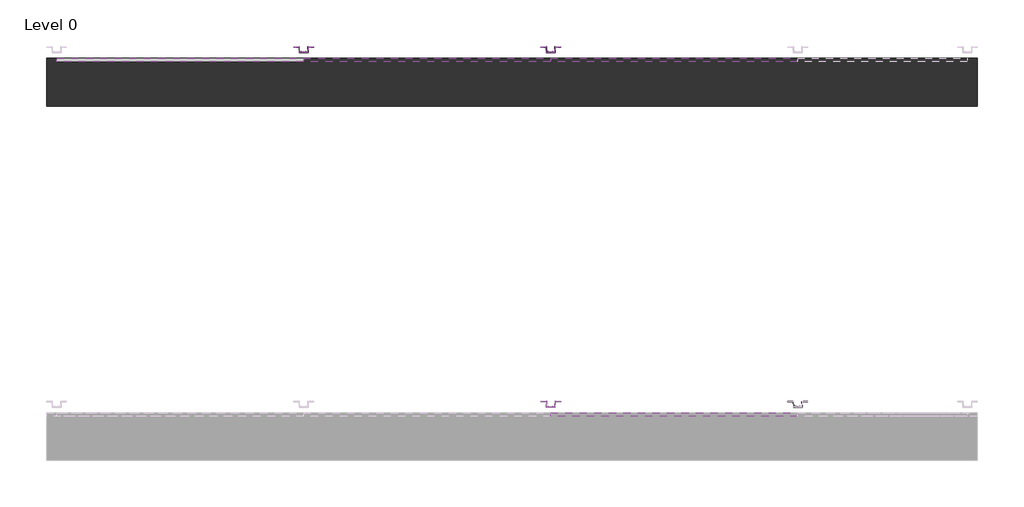
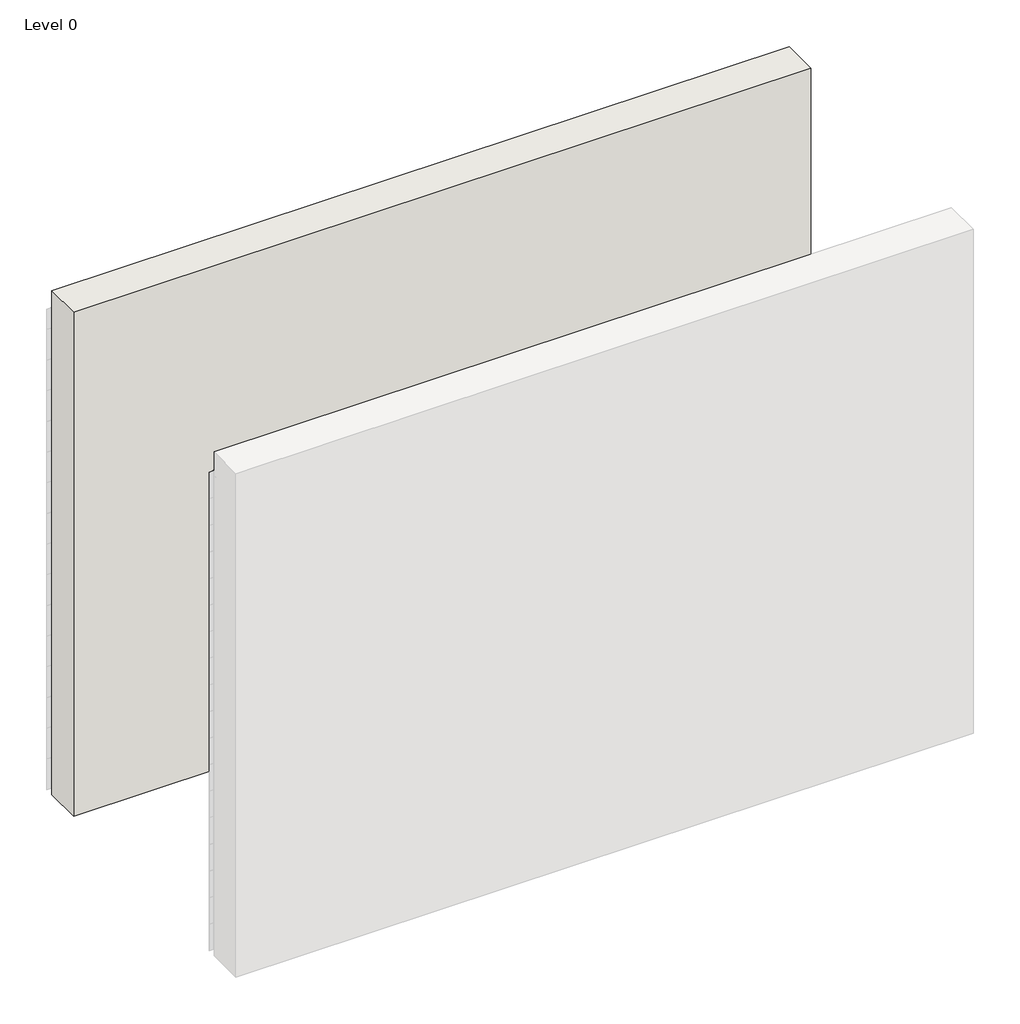
# One storey, part 2 of 8: 67 plates, 40 members, 1 wall.
"""IFC4 building model written with IfcOpenShell, lengths in millimetres."""

import ifcopenshell
import ifcopenshell.guid

model = None  # the IFC model being written
_history = None  # IfcOwnerHistory: only IFC2X3 demands one
_inside = {}  # id of a spatial element -> (the spatial element, [elements in it])
_under = {}  # id of a project, library or spatial element -> (it, [spatial elements below it])
_declared = {}  # id of a project -> (the project, [libraries it declares])
_typed = {}  # id of a type object -> (the type object, [elements of that type])
_made_of = {}  # id of a material, layer set ... -> (it, [elements and type objects made of it])


def new_model(schema):
    """Start an empty IFC model of exactly this schema.

    Asked for "IFC4X3", IfcOpenShell would pick the latest addendum, in which some entities
    have other attributes; the version numbers below select the first issue.
    IFC2X3 requires an IfcOwnerHistory on every rooted entity: one is made here for all.
    """
    global model, _history
    if schema == "IFC4X3":
        model = ifcopenshell.file(schema_version=(4, 3, 0, 0))
    else:
        model = ifcopenshell.file(schema=schema)
    _inside.clear()
    _under.clear()
    _declared.clear()
    _typed.clear()
    _made_of.clear()
    _history = None
    if model.schema == "IFC2X3":
        org = make("IfcOrganization", Name="unknown")
        user = make(
            "IfcPersonAndOrganization",
            ThePerson=make("IfcPerson", FamilyName="unknown"),
            TheOrganization=org,
        )
        app = make(
            "IfcApplication",
            ApplicationDeveloper=org,
            Version="unknown",
            ApplicationFullName="unknown",
            ApplicationIdentifier="unknown",
        )
        _history = make(
            "IfcOwnerHistory",
            OwningUser=user,
            OwningApplication=app,
            ChangeAction="ADDED",
            CreationDate=0,
        )
    return model


def make(cls, **values):
    """One entity of the class cls with the attributes given. An attribute that is None is left unset."""
    return model.create_entity(
        cls, **{name: value for name, value in values.items() if value is not None}
    )


def rooted(cls, **values):
    """An entity with a GlobalId (a new one), such as an element, a storey or a relation."""
    return make(cls, GlobalId=ifcopenshell.guid.new(), OwnerHistory=_history, **values)


def si_unit(unit_type, name, prefix=None):
    """IfcSIUnit, for example si_unit("LENGTHUNIT", "METRE", prefix="MILLI")."""
    return make("IfcSIUnit", UnitType=unit_type, Prefix=prefix, Name=name)


def assignment(units):
    """IfcUnitAssignment: the units of a project."""
    return None if units is None else make("IfcUnitAssignment", Units=units)


def point(xyz):
    """IfcCartesianPoint."""
    return None if xyz is None else make("IfcCartesianPoint", Coordinates=xyz)


def direction(xyz):
    """IfcDirection."""
    return None if xyz is None else make("IfcDirection", DirectionRatios=xyz)


def frame(location, z_axis=None, x_axis=None):
    """IfcAxis2Placement3D, a coordinate frame: its origin and axes. An axis left out is left unset."""
    return make(
        "IfcAxis2Placement3D",
        Location=point(location),
        Axis=direction(z_axis),
        RefDirection=direction(x_axis),
    )


def origin():
    """The frame at (0, 0, 0) with its axes left unset."""
    return frame((0.0, 0.0, 0.0))


def origin_with_axes():
    """The frame at (0, 0, 0) with the z axis (0, 0, 1) and the x axis (1, 0, 0) written out."""
    return frame((0.0, 0.0, 0.0), z_axis=(0.0, 0.0, 1.0), x_axis=(1.0, 0.0, 0.0))


def place(relative_to, where):
    """IfcLocalPlacement: puts the frame where relative to a parent placement (None: the world)."""
    return make(
        "IfcLocalPlacement", PlacementRelTo=relative_to, RelativePlacement=where
    )


def context(
    kind, dimensions, precision=None, world=None, true_north=None, identifier=None
):
    """IfcGeometricRepresentationContext, for example the 3D "Model" context."""
    return make(
        "IfcGeometricRepresentationContext",
        ContextIdentifier=identifier,
        ContextType=kind,
        CoordinateSpaceDimension=dimensions,
        Precision=precision,
        WorldCoordinateSystem=world,
        TrueNorth=true_north,
    )


def project(units=None, contexts=None):
    """IfcProject with its units and contexts."""
    return rooted(
        "IfcProject",
        Name="project",
        RepresentationContexts=contexts,
        UnitsInContext=assignment(units),
    )


def spatial(cls, under=None, at=None, **own):
    """A site, building, storey or space (cls), placed at a placement, below another one or the project."""
    s = rooted(cls, ObjectPlacement=at, **own)
    if under is not None:
        _under.setdefault(under.id(), (under, []))[1].append(s)
    return s


def polyline(points):
    """IfcPolyline through the points."""
    return make("IfcPolyline", Points=[point(p) for p in points])


def outline(outer, holes=None, kind="AREA"):
    """IfcArbitraryClosedProfileDef: a profile drawn as a closed curve; with holes, ...WithVoids."""
    if holes is None:
        return make("IfcArbitraryClosedProfileDef", ProfileType=kind, OuterCurve=outer)
    return make(
        "IfcArbitraryProfileDefWithVoids",
        ProfileType=kind,
        OuterCurve=outer,
        InnerCurves=holes,
    )


def extrude(swept, where, along, depth):
    """IfcExtrudedAreaSolid: the profile swept, set in the frame where, extruded along a direction by depth."""
    return make(
        "IfcExtrudedAreaSolid",
        SweptArea=swept,
        Position=where,
        ExtrudedDirection=direction(along),
        Depth=depth,
    )


def shape(context_of_items, identifier, shape_type, items):
    """IfcShapeRepresentation: the items that make up one representation, for example the "Body"."""
    return make(
        "IfcShapeRepresentation",
        ContextOfItems=context_of_items,
        RepresentationIdentifier=identifier,
        RepresentationType=shape_type,
        Items=items,
    )


def source(mapping_origin, context_of_items, identifier, shape_type, items):
    """IfcRepresentationMap: a shape defined once, which mapped items show again and again."""
    return make(
        "IfcRepresentationMap",
        MappingOrigin=mapping_origin,
        MappedRepresentation=shape(context_of_items, identifier, shape_type, items),
    )


def transform(
    local_origin,
    x_axis=None,
    y_axis=None,
    z_axis=None,
    scale=None,
    scale2=None,
    scale3=None,
    uniform=True,
):
    """IfcCartesianTransformationOperator3D, or its non-uniform kind. x_axis, y_axis, z_axis: its Axis1, 2, 3."""
    if uniform:
        return make(
            "IfcCartesianTransformationOperator3D",
            Axis1=direction(x_axis),
            Axis2=direction(y_axis),
            LocalOrigin=point(local_origin),
            Scale=scale,
            Axis3=direction(z_axis),
        )
    return make(
        "IfcCartesianTransformationOperator3DnonUniform",
        Axis1=direction(x_axis),
        Axis2=direction(y_axis),
        LocalOrigin=point(local_origin),
        Scale=scale,
        Axis3=direction(z_axis),
        Scale2=scale2,
        Scale3=scale3,
    )


def mapped(mapping_source, mapping_target):
    """IfcMappedItem: shows the shape of a source again, moved by a transform."""
    return make(
        "IfcMappedItem", MappingSource=mapping_source, MappingTarget=mapping_target
    )


def made_of(thing, what):
    """Note that an element or type object is made of a material, layer set ...; save() writes the relation."""
    if what is not None:
        _made_of.setdefault(what.id(), (what, []))[1].append(thing)
    return thing


def element(
    cls,
    number,
    at=None,
    inside=None,
    cuts=None,
    type_object=None,
    material=None,
    context=None,
    identifier="Body",
    shape_type=None,
    held_by="IfcProductDefinitionShape",
    body=None,
    shapes=None,
    **own,
):
    """One element of the class cls, such as IfcWall. Its Tag is "e" and its number.

    at: its placement. inside: the storey or other place that contains it. cuts: it is an
    opening in that element (IfcRelVoidsElement). A single representation is given by context,
    identifier, shape_type and body (its items); several are given by shapes. held_by: the class
    of the entity that holds the representations. save() writes the other relations.
    """
    e = rooted(cls, Tag="e%d" % number, ObjectPlacement=at, **own)
    if body is not None:
        shapes = [shape(context, identifier, shape_type, body)]
    if shapes is not None:
        e.Representation = make(held_by, Representations=shapes)
    if inside is not None:
        _inside.setdefault(inside.id(), (inside, []))[1].append(e)
    if cuts is not None:
        rooted(
            "IfcRelVoidsElement", RelatingBuildingElement=cuts, RelatedOpeningElement=e
        )
    if type_object is not None:
        _typed.setdefault(type_object.id(), (type_object, []))[1].append(e)
    return made_of(e, material)


def aggregate(whole, parts):
    """IfcRelAggregates: a whole, such as a stair, and the parts it consists of."""
    return rooted("IfcRelAggregates", RelatingObject=whole, RelatedObjects=parts)


def save(model, path):
    """Write the relations noted so far, then the file.

    IfcRelAggregates (storeys below a building ...), IfcRelContainedInSpatialStructure (elements
    in a storey), IfcRelDefinesByType, IfcRelAssociatesMaterial and IfcRelDeclares: one each for
    every whole, place, type object, material and project.
    """
    for whole, parts in _under.values():
        aggregate(whole, parts)
    for where, things in _inside.values():
        rooted(
            "IfcRelContainedInSpatialStructure",
            RelatedElements=things,
            RelatingStructure=where,
        )
    for kind, things in _typed.values():
        rooted("IfcRelDefinesByType", RelatedObjects=things, RelatingType=kind)
    for what, things in _made_of.values():
        rooted("IfcRelAssociatesMaterial", RelatedObjects=things, RelatingMaterial=what)
    for by, libraries in _declared.values():
        rooted("IfcRelDeclares", RelatingContext=by, RelatedDefinitions=libraries)
    model.write(path)


def rectangular_mullion_ca0a8db8(model_context):
    return source(origin(), model_context, "Body", "SweptSolid", [
        extrude(outline(polyline([(-33.0, -132.0), (-73.0, -132.0), (-73.0, -129.0), (-33.0, -129.0), (-33.0, -89.0), (33.0, -89.0), (33.0, -129.0), (73.0, -129.0), (73.0, -132.0), (33.0, -132.0), (33.0, -135.0), (30.0, -135.0), (30.0, -92.0), (20.0, -92.0), (20.0, -97.0), (12.0, -97.0), (12.0, -94.0), (17.0, -94.0), (17.0, -92.0), (-17.0, -92.0), (-17.0, -94.0), (-12.0, -94.0), (-12.0, -97.0), (-20.0, -97.0), (-20.0, -92.0), (-30.0, -92.0), (-30.0, -135.0), (-33.0, -135.0), (-33.0, -132.0)])), frame((0.0, 0.0, -300.0), z_axis=(0.0, 0.0, 1.0), x_axis=(1.0, 0.0, 0.0)), (0.0, 0.0, 1.0), 300.0),
    ])


def rectangular_mullion_66df148c(model_context):
    return source(origin(), model_context, "Body", "SweptSolid", [
        extrude(outline(polyline([(-33.0, -132.0), (-73.0, -132.0), (-73.0, -129.0), (-33.0, -129.0), (-33.0, -89.0), (33.0, -89.0), (33.0, -129.0), (73.0, -129.0), (73.0, -132.0), (33.0, -132.0), (33.0, -135.0), (30.0, -135.0), (30.0, -92.0), (20.0, -92.0), (20.0, -97.0), (12.0, -97.0), (12.0, -94.0), (17.0, -94.0), (17.0, -92.0), (-17.0, -92.0), (-17.0, -94.0), (-12.0, -94.0), (-12.0, -97.0), (-20.0, -97.0), (-20.0, -92.0), (-30.0, -92.0), (-30.0, -135.0), (-33.0, -135.0), (-33.0, -132.0)])), frame((0.0, 0.0, -197.1692572), z_axis=(0.0, 0.0, 1.0), x_axis=(1.0, 0.0, 0.0)), (0.0, 0.0, 1.0), 197.1692572),
    ])


def rectangular_mullion_63c186be(model_context):
    return source(origin(), model_context, "Body", "SweptSolid", [
        extrude(outline(polyline([(-33.0, -132.0), (-73.0, -132.0), (-73.0, -129.0), (-33.0, -129.0), (-33.0, -89.0), (33.0, -89.0), (33.0, -129.0), (73.0, -129.0), (73.0, -132.0), (33.0, -132.0), (33.0, -135.0), (30.0, -135.0), (30.0, -92.0), (20.0, -92.0), (20.0, -97.0), (12.0, -97.0), (12.0, -94.0), (17.0, -94.0), (17.0, -92.0), (-17.0, -92.0), (-17.0, -94.0), (-12.0, -94.0), (-12.0, -97.0), (-20.0, -97.0), (-20.0, -92.0), (-30.0, -92.0), (-30.0, -135.0), (-33.0, -135.0), (-33.0, -132.0)])), frame((0.0, 0.0, -260.0), z_axis=(0.0, 0.0, 1.0), x_axis=(1.0, 0.0, 0.0)), (0.0, 0.0, 1.0), 260.0),
    ])


def system_panel_glazed_ff49712a(model_context):
    return source(origin(), model_context, "Body", "SweptSolid", [
        extrude(outline(polyline([(905.0, 24.5), (-905.0, 24.5), (-905.0, 49.5), (905.0, 49.5), (905.0, 24.5)])), origin_with_axes(), (0.0, 0.0, 1.0), 300.0),
    ])


def system_panel_glazed_dff0cb57(model_context):
    return source(origin(), model_context, "Body", "SweptSolid", [
        extrude(outline(polyline([(905.0, 24.5), (-905.0, 24.5), (-905.0, 49.5), (905.0, 49.5), (905.0, 24.5)])), origin_with_axes(), (0.0, 0.0, 1.0), 197.1692572),
    ])


def system_panel_glazed_1fbb166e(model_context):
    return source(origin(), model_context, "Body", "SweptSolid", [
        extrude(outline(polyline([(905.0, 24.5), (-905.0, 24.5), (-905.0, 49.5), (905.0, 49.5), (905.0, 24.5)])), origin_with_axes(), (0.0, 0.0, 1.0), 260.0),
    ])


def system_panel_glazed_e570b50b(model_context):
    return source(origin(), model_context, "Body", "SweptSolid", [
        extrude(outline(polyline([(905.0, 24.5), (-905.0, 24.5), (-905.0, 49.5), (905.0, 49.5), (905.0, 24.5)])), origin_with_axes(), (0.0, 0.0, 1.0), 17.1692572),
    ])


model = new_model("IFC4")

# Units and contexts
model_context = context("Model", 3, world=origin())
ifc_project = project(units=[si_unit("LENGTHUNIT", "METRE", prefix="MILLI")], contexts=[model_context])

# Site, building, storey
site = spatial("IfcSite", under=ifc_project)
building = spatial("IfcBuilding", under=site)
storey = spatial("IfcBuildingStorey", under=building, Name="Level 0", Elevation=0.0)

# Members
placement = place(None, origin())
rectangular_mullion_shape = rectangular_mullion_ca0a8db8(model_context)
element("IfcMember", 1, ObjectType="Rectangular Mullion", at=placement, inside=storey, context=model_context, shape_type="MappedRepresentation", body=[
    mapped(rectangular_mullion_shape, transform((-34802.9772357, 2657.550875, 0.0), x_axis=(1.0, 0.0, 0.0), y_axis=(0.0, -1.0, 0.0), z_axis=(0.0, 0.0, -1.0))),
])
element("IfcMember", 2, ObjectType="Rectangular Mullion", at=placement, inside=storey, context=model_context, shape_type="MappedRepresentation", body=[
    mapped(rectangular_mullion_shape, transform((-32992.9772357, 2657.550875, 0.0), x_axis=(1.0, 0.0, 0.0), y_axis=(0.0, -1.0, 0.0), z_axis=(0.0, 0.0, -1.0))),
])
element("IfcMember", 3, ObjectType="Rectangular Mullion", at=placement, inside=storey, context=model_context, shape_type="MappedRepresentation", body=[
    mapped(rectangular_mullion_shape, transform((-34802.9772357, 2657.550875, 300.0), x_axis=(1.0, 0.0, 0.0), y_axis=(0.0, -1.0, 0.0), z_axis=(0.0, 0.0, -1.0))),
])
element("IfcMember", 4, ObjectType="Rectangular Mullion", at=placement, inside=storey, context=model_context, shape_type="MappedRepresentation", body=[
    mapped(rectangular_mullion_shape, transform((-32992.9772357, 2657.550875, 300.0), x_axis=(1.0, 0.0, 0.0), y_axis=(0.0, -1.0, 0.0), z_axis=(0.0, 0.0, -1.0))),
])
element("IfcMember", 5, ObjectType="Rectangular Mullion", at=placement, inside=storey, context=model_context, shape_type="MappedRepresentation", body=[
    mapped(rectangular_mullion_shape, transform((-34802.9772357, 2657.550875, 600.0), x_axis=(1.0, 0.0, 0.0), y_axis=(0.0, -1.0, 0.0), z_axis=(0.0, 0.0, -1.0))),
])
element("IfcMember", 6, ObjectType="Rectangular Mullion", at=placement, inside=storey, context=model_context, shape_type="MappedRepresentation", body=[
    mapped(rectangular_mullion_shape, transform((-32992.9772357, 2657.550875, 600.0), x_axis=(1.0, 0.0, 0.0), y_axis=(0.0, -1.0, 0.0), z_axis=(0.0, 0.0, -1.0))),
])
element("IfcMember", 7, ObjectType="Rectangular Mullion", at=placement, inside=storey, context=model_context, shape_type="MappedRepresentation", body=[
    mapped(rectangular_mullion_shape, transform((-34802.9772357, 2657.550875, 900.0), x_axis=(1.0, 0.0, 0.0), y_axis=(0.0, -1.0, 0.0), z_axis=(0.0, 0.0, -1.0))),
])
element("IfcMember", 8, ObjectType="Rectangular Mullion", at=placement, inside=storey, context=model_context, shape_type="MappedRepresentation", body=[
    mapped(rectangular_mullion_shape, transform((-32992.9772357, 2657.550875, 900.0), x_axis=(1.0, 0.0, 0.0), y_axis=(0.0, -1.0, 0.0), z_axis=(0.0, 0.0, -1.0))),
])
element("IfcMember", 9, ObjectType="Rectangular Mullion", at=placement, inside=storey, context=model_context, shape_type="MappedRepresentation", body=[
    mapped(rectangular_mullion_shape, transform((-34802.9772357, 2657.550875, 1200.0), x_axis=(1.0, 0.0, 0.0), y_axis=(0.0, -1.0, 0.0), z_axis=(0.0, 0.0, -1.0))),
])
element("IfcMember", 10, ObjectType="Rectangular Mullion", at=placement, inside=storey, context=model_context, shape_type="MappedRepresentation", body=[
    mapped(rectangular_mullion_shape, transform((-32992.9772357, 2657.550875, 1200.0), x_axis=(1.0, 0.0, 0.0), y_axis=(0.0, -1.0, 0.0), z_axis=(0.0, 0.0, -1.0))),
])
element("IfcMember", 11, ObjectType="Rectangular Mullion", at=placement, inside=storey, context=model_context, shape_type="MappedRepresentation", body=[
    mapped(rectangular_mullion_shape, transform((-34802.9772357, 2657.550875, 1500.0), x_axis=(1.0, 0.0, 0.0), y_axis=(0.0, -1.0, 0.0), z_axis=(0.0, 0.0, -1.0))),
])
element("IfcMember", 12, ObjectType="Rectangular Mullion", at=placement, inside=storey, context=model_context, shape_type="MappedRepresentation", body=[
    mapped(rectangular_mullion_shape, transform((-32992.9772357, 2657.550875, 1500.0), x_axis=(1.0, 0.0, 0.0), y_axis=(0.0, -1.0, 0.0), z_axis=(0.0, 0.0, -1.0))),
])
element("IfcMember", 13, ObjectType="Rectangular Mullion", at=placement, inside=storey, context=model_context, shape_type="MappedRepresentation", body=[
    mapped(rectangular_mullion_shape, transform((-34802.9772357, 2657.550875, 1800.0), x_axis=(1.0, 0.0, 0.0), y_axis=(0.0, -1.0, 0.0), z_axis=(0.0, 0.0, -1.0))),
])
element("IfcMember", 14, ObjectType="Rectangular Mullion", at=placement, inside=storey, context=model_context, shape_type="MappedRepresentation", body=[
    mapped(rectangular_mullion_shape, transform((-32992.9772357, 2657.550875, 1800.0), x_axis=(1.0, 0.0, 0.0), y_axis=(0.0, -1.0, 0.0), z_axis=(0.0, 0.0, -1.0))),
])
element("IfcMember", 15, ObjectType="Rectangular Mullion", at=placement, inside=storey, context=model_context, shape_type="MappedRepresentation", body=[
    mapped(rectangular_mullion_shape, transform((-34802.9772357, 2657.550875, 2100.0), x_axis=(1.0, 0.0, 0.0), y_axis=(0.0, -1.0, 0.0), z_axis=(0.0, 0.0, -1.0))),
])
element("IfcMember", 16, ObjectType="Rectangular Mullion", at=placement, inside=storey, context=model_context, shape_type="MappedRepresentation", body=[
    mapped(rectangular_mullion_shape, transform((-32992.9772357, 2657.550875, 2100.0), x_axis=(1.0, 0.0, 0.0), y_axis=(0.0, -1.0, 0.0), z_axis=(0.0, 0.0, -1.0))),
])
element("IfcMember", 17, ObjectType="Rectangular Mullion", at=placement, inside=storey, context=model_context, shape_type="MappedRepresentation", body=[
    mapped(rectangular_mullion_shape, transform((-34802.9772357, 2657.550875, 2400.0), x_axis=(1.0, 0.0, 0.0), y_axis=(0.0, -1.0, 0.0), z_axis=(0.0, 0.0, -1.0))),
])
element("IfcMember", 18, ObjectType="Rectangular Mullion", at=placement, inside=storey, context=model_context, shape_type="MappedRepresentation", body=[
    mapped(rectangular_mullion_shape, transform((-32992.9772357, 2657.550875, 2400.0), x_axis=(1.0, 0.0, 0.0), y_axis=(0.0, -1.0, 0.0), z_axis=(0.0, 0.0, -1.0))),
])
element("IfcMember", 19, ObjectType="Rectangular Mullion", at=placement, inside=storey, context=model_context, shape_type="MappedRepresentation", body=[
    mapped(rectangular_mullion_shape, transform((-34802.9772357, 2657.550875, 2700.0), x_axis=(1.0, 0.0, 0.0), y_axis=(0.0, -1.0, 0.0), z_axis=(0.0, 0.0, -1.0))),
])
element("IfcMember", 20, ObjectType="Rectangular Mullion", at=placement, inside=storey, context=model_context, shape_type="MappedRepresentation", body=[
    mapped(rectangular_mullion_shape, transform((-32992.9772357, 2657.550875, 2700.0), x_axis=(1.0, 0.0, 0.0), y_axis=(0.0, -1.0, 0.0), z_axis=(0.0, 0.0, -1.0))),
])
element("IfcMember", 21, ObjectType="Rectangular Mullion", at=placement, inside=storey, context=model_context, shape_type="MappedRepresentation", body=[
    mapped(rectangular_mullion_shape, transform((-34802.9772357, 2657.550875, 3000.0), x_axis=(1.0, 0.0, 0.0), y_axis=(0.0, -1.0, 0.0), z_axis=(0.0, 0.0, -1.0))),
])
element("IfcMember", 22, ObjectType="Rectangular Mullion", at=placement, inside=storey, context=model_context, shape_type="MappedRepresentation", body=[
    mapped(rectangular_mullion_shape, transform((-32992.9772357, 2657.550875, 3000.0), x_axis=(1.0, 0.0, 0.0), y_axis=(0.0, -1.0, 0.0), z_axis=(0.0, 0.0, -1.0))),
])
element("IfcMember", 23, ObjectType="Rectangular Mullion", at=placement, inside=storey, context=model_context, shape_type="MappedRepresentation", body=[
    mapped(rectangular_mullion_shape, transform((-34802.9772357, 2657.550875, 3300.0), x_axis=(1.0, 0.0, 0.0), y_axis=(0.0, -1.0, 0.0), z_axis=(0.0, 0.0, -1.0))),
])
element("IfcMember", 24, ObjectType="Rectangular Mullion", at=placement, inside=storey, context=model_context, shape_type="MappedRepresentation", body=[
    mapped(rectangular_mullion_shape, transform((-32992.9772357, 2657.550875, 3300.0), x_axis=(1.0, 0.0, 0.0), y_axis=(0.0, -1.0, 0.0), z_axis=(0.0, 0.0, -1.0))),
])
element("IfcMember", 25, ObjectType="Rectangular Mullion", at=placement, inside=storey, context=model_context, shape_type="MappedRepresentation", body=[
    mapped(rectangular_mullion_shape, transform((-34802.9772357, 2657.550875, 3600.0), x_axis=(1.0, 0.0, 0.0), y_axis=(0.0, -1.0, 0.0), z_axis=(0.0, 0.0, -1.0))),
])
element("IfcMember", 26, ObjectType="Rectangular Mullion", at=placement, inside=storey, context=model_context, shape_type="MappedRepresentation", body=[
    mapped(rectangular_mullion_shape, transform((-32992.9772357, 2657.550875, 3600.0), x_axis=(1.0, 0.0, 0.0), y_axis=(0.0, -1.0, 0.0), z_axis=(0.0, 0.0, -1.0))),
])
element("IfcMember", 27, ObjectType="Rectangular Mullion", at=placement, inside=storey, context=model_context, shape_type="MappedRepresentation", body=[
    mapped(rectangular_mullion_shape, transform((-34802.9772357, 2657.550875, 3900.0), x_axis=(1.0, 0.0, 0.0), y_axis=(0.0, -1.0, 0.0), z_axis=(0.0, 0.0, -1.0))),
])
element("IfcMember", 28, ObjectType="Rectangular Mullion", at=placement, inside=storey, context=model_context, shape_type="MappedRepresentation", body=[
    mapped(rectangular_mullion_shape, transform((-32992.9772357, 2657.550875, 3900.0), x_axis=(1.0, 0.0, 0.0), y_axis=(0.0, -1.0, 0.0), z_axis=(0.0, 0.0, -1.0))),
])
element("IfcMember", 29, ObjectType="Rectangular Mullion", at=placement, inside=storey, context=model_context, shape_type="MappedRepresentation", body=[
    mapped(rectangular_mullion_shape, transform((-34802.9772357, 2657.550875, 4200.0), x_axis=(1.0, 0.0, 0.0), y_axis=(0.0, -1.0, 0.0), z_axis=(0.0, 0.0, -1.0))),
])
element("IfcMember", 30, ObjectType="Rectangular Mullion", at=placement, inside=storey, context=model_context, shape_type="MappedRepresentation", body=[
    mapped(rectangular_mullion_shape, transform((-32992.9772357, 2657.550875, 4200.0), x_axis=(1.0, 0.0, 0.0), y_axis=(0.0, -1.0, 0.0), z_axis=(0.0, 0.0, -1.0))),
])
rectangular_mullion_2_shape = rectangular_mullion_66df148c(model_context)
element("IfcMember", 31, ObjectType="Rectangular Mullion", at=placement, inside=storey, context=model_context, shape_type="MappedRepresentation", body=[
    mapped(rectangular_mullion_2_shape, transform((-34802.9772357, 2657.550875, 4500.0), x_axis=(1.0, 0.0, 0.0), y_axis=(0.0, -1.0, 0.0), z_axis=(0.0, 0.0, -1.0))),
])
element("IfcMember", 32, ObjectType="Rectangular Mullion", at=placement, inside=storey, context=model_context, shape_type="MappedRepresentation", body=[
    mapped(rectangular_mullion_2_shape, transform((-32992.9772357, 2657.550875, 4500.0), x_axis=(1.0, 0.0, 0.0), y_axis=(0.0, -1.0, 0.0), z_axis=(0.0, 0.0, -1.0))),
])
rectangular_mullion_3_shape = rectangular_mullion_63c186be(model_context)
element("IfcMember", 33, ObjectType="Rectangular Mullion", at=placement, inside=storey, context=model_context, shape_type="MappedRepresentation", body=[
    mapped(rectangular_mullion_3_shape, transform((-31182.9772357, 57.550875, 0.0), x_axis=(1.0, 0.0, 0.0), y_axis=(0.0, -1.0, 0.0), z_axis=(0.0, 0.0, -1.0))),
])
element("IfcMember", 34, ObjectType="Rectangular Mullion", at=placement, inside=storey, context=model_context, shape_type="MappedRepresentation", body=[
    mapped(rectangular_mullion_3_shape, transform((-31182.9772357, 57.550875, 260.0), x_axis=(1.0, 0.0, 0.0), y_axis=(0.0, -1.0, 0.0), z_axis=(0.0, 0.0, -1.0))),
])
element("IfcMember", 35, ObjectType="Rectangular Mullion", at=placement, inside=storey, context=model_context, shape_type="MappedRepresentation", body=[
    mapped(rectangular_mullion_3_shape, transform((-31182.9772357, 57.550875, 520.0), x_axis=(1.0, 0.0, 0.0), y_axis=(0.0, -1.0, 0.0), z_axis=(0.0, 0.0, -1.0))),
])
element("IfcMember", 36, ObjectType="Rectangular Mullion", at=placement, inside=storey, context=model_context, shape_type="MappedRepresentation", body=[
    mapped(rectangular_mullion_3_shape, transform((-31182.9772357, 57.550875, 780.0), x_axis=(1.0, 0.0, 0.0), y_axis=(0.0, -1.0, 0.0), z_axis=(0.0, 0.0, -1.0))),
])
element("IfcMember", 37, ObjectType="Rectangular Mullion", at=placement, inside=storey, context=model_context, shape_type="MappedRepresentation", body=[
    mapped(rectangular_mullion_3_shape, transform((-31182.9772357, 57.550875, 1040.0), x_axis=(1.0, 0.0, 0.0), y_axis=(0.0, -1.0, 0.0), z_axis=(0.0, 0.0, -1.0))),
])
element("IfcMember", 38, ObjectType="Rectangular Mullion", at=placement, inside=storey, context=model_context, shape_type="MappedRepresentation", body=[
    mapped(rectangular_mullion_3_shape, transform((-31182.9772357, 57.550875, 1300.0), x_axis=(1.0, 0.0, 0.0), y_axis=(0.0, -1.0, 0.0), z_axis=(0.0, 0.0, -1.0))),
])
element("IfcMember", 39, ObjectType="Rectangular Mullion", at=placement, inside=storey, context=model_context, shape_type="MappedRepresentation", body=[
    mapped(rectangular_mullion_3_shape, transform((-32992.9772357, 57.550875, 4160.0), x_axis=(1.0, 0.0, 0.0), y_axis=(0.0, -1.0, 0.0), z_axis=(0.0, 0.0, -1.0))),
])
element("IfcMember", 40, ObjectType="Rectangular Mullion", at=placement, inside=storey, context=model_context, shape_type="MappedRepresentation", body=[
    mapped(rectangular_mullion_3_shape, transform((-32992.9772357, 57.550875, 4420.0), x_axis=(1.0, 0.0, 0.0), y_axis=(0.0, -1.0, 0.0), z_axis=(0.0, 0.0, -1.0))),
])

# Plates
system_panel_glazed_shape = system_panel_glazed_ff49712a(model_context)
element("IfcPlate", 41, ObjectType="System Panel : Glazed", at=placement, inside=storey, context=model_context, shape_type="MappedRepresentation", body=[
    mapped(system_panel_glazed_shape, transform((-35707.9772357, 2657.550875, 0.0), x_axis=(1.0, 0.0, 0.0), y_axis=(0.0, 1.0, 0.0), z_axis=(0.0, 0.0, 1.0))),
])
element("IfcPlate", 42, ObjectType="System Panel : Glazed", at=placement, inside=storey, context=model_context, shape_type="MappedRepresentation", body=[
    mapped(system_panel_glazed_shape, transform((-35707.9772357, 2657.550875, 300.0), x_axis=(1.0, 0.0, 0.0), y_axis=(0.0, 1.0, 0.0), z_axis=(0.0, 0.0, 1.0))),
])
element("IfcPlate", 43, ObjectType="System Panel : Glazed", at=placement, inside=storey, context=model_context, shape_type="MappedRepresentation", body=[
    mapped(system_panel_glazed_shape, transform((-35707.9772357, 2657.550875, 600.0), x_axis=(1.0, 0.0, 0.0), y_axis=(0.0, 1.0, 0.0), z_axis=(0.0, 0.0, 1.0))),
])
element("IfcPlate", 44, ObjectType="System Panel : Glazed", at=placement, inside=storey, context=model_context, shape_type="MappedRepresentation", body=[
    mapped(system_panel_glazed_shape, transform((-35707.9772357, 2657.550875, 900.0), x_axis=(1.0, 0.0, 0.0), y_axis=(0.0, 1.0, 0.0), z_axis=(0.0, 0.0, 1.0))),
])
element("IfcPlate", 45, ObjectType="System Panel : Glazed", at=placement, inside=storey, context=model_context, shape_type="MappedRepresentation", body=[
    mapped(system_panel_glazed_shape, transform((-35707.9772357, 2657.550875, 1200.0), x_axis=(1.0, 0.0, 0.0), y_axis=(0.0, 1.0, 0.0), z_axis=(0.0, 0.0, 1.0))),
])
element("IfcPlate", 46, ObjectType="System Panel : Glazed", at=placement, inside=storey, context=model_context, shape_type="MappedRepresentation", body=[
    mapped(system_panel_glazed_shape, transform((-35707.9772357, 2657.550875, 1500.0), x_axis=(1.0, 0.0, 0.0), y_axis=(0.0, 1.0, 0.0), z_axis=(0.0, 0.0, 1.0))),
])
element("IfcPlate", 47, ObjectType="System Panel : Glazed", at=placement, inside=storey, context=model_context, shape_type="MappedRepresentation", body=[
    mapped(system_panel_glazed_shape, transform((-35707.9772357, 2657.550875, 1800.0), x_axis=(1.0, 0.0, 0.0), y_axis=(0.0, 1.0, 0.0), z_axis=(0.0, 0.0, 1.0))),
])
element("IfcPlate", 48, ObjectType="System Panel : Glazed", at=placement, inside=storey, context=model_context, shape_type="MappedRepresentation", body=[
    mapped(system_panel_glazed_shape, transform((-35707.9772357, 2657.550875, 2100.0), x_axis=(1.0, 0.0, 0.0), y_axis=(0.0, 1.0, 0.0), z_axis=(0.0, 0.0, 1.0))),
])
element("IfcPlate", 49, ObjectType="System Panel : Glazed", at=placement, inside=storey, context=model_context, shape_type="MappedRepresentation", body=[
    mapped(system_panel_glazed_shape, transform((-35707.9772357, 2657.550875, 2400.0), x_axis=(1.0, 0.0, 0.0), y_axis=(0.0, 1.0, 0.0), z_axis=(0.0, 0.0, 1.0))),
])
element("IfcPlate", 50, ObjectType="System Panel : Glazed", at=placement, inside=storey, context=model_context, shape_type="MappedRepresentation", body=[
    mapped(system_panel_glazed_shape, transform((-35707.9772357, 2657.550875, 2700.0), x_axis=(1.0, 0.0, 0.0), y_axis=(0.0, 1.0, 0.0), z_axis=(0.0, 0.0, 1.0))),
])
element("IfcPlate", 51, ObjectType="System Panel : Glazed", at=placement, inside=storey, context=model_context, shape_type="MappedRepresentation", body=[
    mapped(system_panel_glazed_shape, transform((-35707.9772357, 2657.550875, 3000.0), x_axis=(1.0, 0.0, 0.0), y_axis=(0.0, 1.0, 0.0), z_axis=(0.0, 0.0, 1.0))),
])
element("IfcPlate", 52, ObjectType="System Panel : Glazed", at=placement, inside=storey, context=model_context, shape_type="MappedRepresentation", body=[
    mapped(system_panel_glazed_shape, transform((-35707.9772357, 2657.550875, 3300.0), x_axis=(1.0, 0.0, 0.0), y_axis=(0.0, 1.0, 0.0), z_axis=(0.0, 0.0, 1.0))),
])
element("IfcPlate", 53, ObjectType="System Panel : Glazed", at=placement, inside=storey, context=model_context, shape_type="MappedRepresentation", body=[
    mapped(system_panel_glazed_shape, transform((-35707.9772357, 2657.550875, 3600.0), x_axis=(1.0, 0.0, 0.0), y_axis=(0.0, 1.0, 0.0), z_axis=(0.0, 0.0, 1.0))),
])
element("IfcPlate", 54, ObjectType="System Panel : Glazed", at=placement, inside=storey, context=model_context, shape_type="MappedRepresentation", body=[
    mapped(system_panel_glazed_shape, transform((-35707.9772357, 2657.550875, 3900.0), x_axis=(1.0, 0.0, 0.0), y_axis=(0.0, 1.0, 0.0), z_axis=(0.0, 0.0, 1.0))),
])
element("IfcPlate", 55, ObjectType="System Panel : Glazed", at=placement, inside=storey, context=model_context, shape_type="MappedRepresentation", body=[
    mapped(system_panel_glazed_shape, transform((-35707.9772357, 2657.550875, 4200.0), x_axis=(1.0, 0.0, 0.0), y_axis=(0.0, 1.0, 0.0), z_axis=(0.0, 0.0, 1.0))),
])
element("IfcPlate", 56, ObjectType="System Panel : Glazed", at=placement, inside=storey, context=model_context, shape_type="MappedRepresentation", body=[
    mapped(system_panel_glazed_shape, transform((-33897.9772357, 2657.550875, 0.0), x_axis=(1.0, 0.0, 0.0), y_axis=(0.0, 1.0, 0.0), z_axis=(0.0, 0.0, 1.0))),
])
element("IfcPlate", 57, ObjectType="System Panel : Glazed", at=placement, inside=storey, context=model_context, shape_type="MappedRepresentation", body=[
    mapped(system_panel_glazed_shape, transform((-33897.9772357, 2657.550875, 300.0), x_axis=(1.0, 0.0, 0.0), y_axis=(0.0, 1.0, 0.0), z_axis=(0.0, 0.0, 1.0))),
])
element("IfcPlate", 58, ObjectType="System Panel : Glazed", at=placement, inside=storey, context=model_context, shape_type="MappedRepresentation", body=[
    mapped(system_panel_glazed_shape, transform((-33897.9772357, 2657.550875, 600.0), x_axis=(1.0, 0.0, 0.0), y_axis=(0.0, 1.0, 0.0), z_axis=(0.0, 0.0, 1.0))),
])
element("IfcPlate", 59, ObjectType="System Panel : Glazed", at=placement, inside=storey, context=model_context, shape_type="MappedRepresentation", body=[
    mapped(system_panel_glazed_shape, transform((-33897.9772357, 2657.550875, 900.0), x_axis=(1.0, 0.0, 0.0), y_axis=(0.0, 1.0, 0.0), z_axis=(0.0, 0.0, 1.0))),
])
element("IfcPlate", 60, ObjectType="System Panel : Glazed", at=placement, inside=storey, context=model_context, shape_type="MappedRepresentation", body=[
    mapped(system_panel_glazed_shape, transform((-33897.9772357, 2657.550875, 1200.0), x_axis=(1.0, 0.0, 0.0), y_axis=(0.0, 1.0, 0.0), z_axis=(0.0, 0.0, 1.0))),
])
element("IfcPlate", 61, ObjectType="System Panel : Glazed", at=placement, inside=storey, context=model_context, shape_type="MappedRepresentation", body=[
    mapped(system_panel_glazed_shape, transform((-33897.9772357, 2657.550875, 1500.0), x_axis=(1.0, 0.0, 0.0), y_axis=(0.0, 1.0, 0.0), z_axis=(0.0, 0.0, 1.0))),
])
element("IfcPlate", 62, ObjectType="System Panel : Glazed", at=placement, inside=storey, context=model_context, shape_type="MappedRepresentation", body=[
    mapped(system_panel_glazed_shape, transform((-33897.9772357, 2657.550875, 1800.0), x_axis=(1.0, 0.0, 0.0), y_axis=(0.0, 1.0, 0.0), z_axis=(0.0, 0.0, 1.0))),
])
element("IfcPlate", 63, ObjectType="System Panel : Glazed", at=placement, inside=storey, context=model_context, shape_type="MappedRepresentation", body=[
    mapped(system_panel_glazed_shape, transform((-33897.9772357, 2657.550875, 2100.0), x_axis=(1.0, 0.0, 0.0), y_axis=(0.0, 1.0, 0.0), z_axis=(0.0, 0.0, 1.0))),
])
element("IfcPlate", 64, ObjectType="System Panel : Glazed", at=placement, inside=storey, context=model_context, shape_type="MappedRepresentation", body=[
    mapped(system_panel_glazed_shape, transform((-33897.9772357, 2657.550875, 2400.0), x_axis=(1.0, 0.0, 0.0), y_axis=(0.0, 1.0, 0.0), z_axis=(0.0, 0.0, 1.0))),
])
element("IfcPlate", 65, ObjectType="System Panel : Glazed", at=placement, inside=storey, context=model_context, shape_type="MappedRepresentation", body=[
    mapped(system_panel_glazed_shape, transform((-33897.9772357, 2657.550875, 2700.0), x_axis=(1.0, 0.0, 0.0), y_axis=(0.0, 1.0, 0.0), z_axis=(0.0, 0.0, 1.0))),
])
element("IfcPlate", 66, ObjectType="System Panel : Glazed", at=placement, inside=storey, context=model_context, shape_type="MappedRepresentation", body=[
    mapped(system_panel_glazed_shape, transform((-33897.9772357, 2657.550875, 3000.0), x_axis=(1.0, 0.0, 0.0), y_axis=(0.0, 1.0, 0.0), z_axis=(0.0, 0.0, 1.0))),
])
element("IfcPlate", 67, ObjectType="System Panel : Glazed", at=placement, inside=storey, context=model_context, shape_type="MappedRepresentation", body=[
    mapped(system_panel_glazed_shape, transform((-33897.9772357, 2657.550875, 3300.0), x_axis=(1.0, 0.0, 0.0), y_axis=(0.0, 1.0, 0.0), z_axis=(0.0, 0.0, 1.0))),
])
element("IfcPlate", 68, ObjectType="System Panel : Glazed", at=placement, inside=storey, context=model_context, shape_type="MappedRepresentation", body=[
    mapped(system_panel_glazed_shape, transform((-33897.9772357, 2657.550875, 3600.0), x_axis=(1.0, 0.0, 0.0), y_axis=(0.0, 1.0, 0.0), z_axis=(0.0, 0.0, 1.0))),
])
element("IfcPlate", 69, ObjectType="System Panel : Glazed", at=placement, inside=storey, context=model_context, shape_type="MappedRepresentation", body=[
    mapped(system_panel_glazed_shape, transform((-33897.9772357, 2657.550875, 3900.0), x_axis=(1.0, 0.0, 0.0), y_axis=(0.0, 1.0, 0.0), z_axis=(0.0, 0.0, 1.0))),
])
element("IfcPlate", 70, ObjectType="System Panel : Glazed", at=placement, inside=storey, context=model_context, shape_type="MappedRepresentation", body=[
    mapped(system_panel_glazed_shape, transform((-33897.9772357, 2657.550875, 4200.0), x_axis=(1.0, 0.0, 0.0), y_axis=(0.0, 1.0, 0.0), z_axis=(0.0, 0.0, 1.0))),
])
element("IfcPlate", 71, ObjectType="System Panel : Glazed", at=placement, inside=storey, context=model_context, shape_type="MappedRepresentation", body=[
    mapped(system_panel_glazed_shape, transform((-32087.9772357, 2657.550875, 0.0), x_axis=(1.0, 0.0, 0.0), y_axis=(0.0, 1.0, 0.0), z_axis=(0.0, 0.0, 1.0))),
])
element("IfcPlate", 72, ObjectType="System Panel : Glazed", at=placement, inside=storey, context=model_context, shape_type="MappedRepresentation", body=[
    mapped(system_panel_glazed_shape, transform((-32087.9772357, 2657.550875, 300.0), x_axis=(1.0, 0.0, 0.0), y_axis=(0.0, 1.0, 0.0), z_axis=(0.0, 0.0, 1.0))),
])
element("IfcPlate", 73, ObjectType="System Panel : Glazed", at=placement, inside=storey, context=model_context, shape_type="MappedRepresentation", body=[
    mapped(system_panel_glazed_shape, transform((-32087.9772357, 2657.550875, 600.0), x_axis=(1.0, 0.0, 0.0), y_axis=(0.0, 1.0, 0.0), z_axis=(0.0, 0.0, 1.0))),
])
element("IfcPlate", 74, ObjectType="System Panel : Glazed", at=placement, inside=storey, context=model_context, shape_type="MappedRepresentation", body=[
    mapped(system_panel_glazed_shape, transform((-32087.9772357, 2657.550875, 900.0), x_axis=(1.0, 0.0, 0.0), y_axis=(0.0, 1.0, 0.0), z_axis=(0.0, 0.0, 1.0))),
])
element("IfcPlate", 75, ObjectType="System Panel : Glazed", at=placement, inside=storey, context=model_context, shape_type="MappedRepresentation", body=[
    mapped(system_panel_glazed_shape, transform((-32087.9772357, 2657.550875, 1200.0), x_axis=(1.0, 0.0, 0.0), y_axis=(0.0, 1.0, 0.0), z_axis=(0.0, 0.0, 1.0))),
])
element("IfcPlate", 76, ObjectType="System Panel : Glazed", at=placement, inside=storey, context=model_context, shape_type="MappedRepresentation", body=[
    mapped(system_panel_glazed_shape, transform((-32087.9772357, 2657.550875, 1500.0), x_axis=(1.0, 0.0, 0.0), y_axis=(0.0, 1.0, 0.0), z_axis=(0.0, 0.0, 1.0))),
])
element("IfcPlate", 77, ObjectType="System Panel : Glazed", at=placement, inside=storey, context=model_context, shape_type="MappedRepresentation", body=[
    mapped(system_panel_glazed_shape, transform((-32087.9772357, 2657.550875, 1800.0), x_axis=(1.0, 0.0, 0.0), y_axis=(0.0, 1.0, 0.0), z_axis=(0.0, 0.0, 1.0))),
])
element("IfcPlate", 78, ObjectType="System Panel : Glazed", at=placement, inside=storey, context=model_context, shape_type="MappedRepresentation", body=[
    mapped(system_panel_glazed_shape, transform((-32087.9772357, 2657.550875, 2100.0), x_axis=(1.0, 0.0, 0.0), y_axis=(0.0, 1.0, 0.0), z_axis=(0.0, 0.0, 1.0))),
])
element("IfcPlate", 79, ObjectType="System Panel : Glazed", at=placement, inside=storey, context=model_context, shape_type="MappedRepresentation", body=[
    mapped(system_panel_glazed_shape, transform((-32087.9772357, 2657.550875, 2400.0), x_axis=(1.0, 0.0, 0.0), y_axis=(0.0, 1.0, 0.0), z_axis=(0.0, 0.0, 1.0))),
])
element("IfcPlate", 80, ObjectType="System Panel : Glazed", at=placement, inside=storey, context=model_context, shape_type="MappedRepresentation", body=[
    mapped(system_panel_glazed_shape, transform((-32087.9772357, 2657.550875, 2700.0), x_axis=(1.0, 0.0, 0.0), y_axis=(0.0, 1.0, 0.0), z_axis=(0.0, 0.0, 1.0))),
])
element("IfcPlate", 81, ObjectType="System Panel : Glazed", at=placement, inside=storey, context=model_context, shape_type="MappedRepresentation", body=[
    mapped(system_panel_glazed_shape, transform((-32087.9772357, 2657.550875, 3000.0), x_axis=(1.0, 0.0, 0.0), y_axis=(0.0, 1.0, 0.0), z_axis=(0.0, 0.0, 1.0))),
])
element("IfcPlate", 82, ObjectType="System Panel : Glazed", at=placement, inside=storey, context=model_context, shape_type="MappedRepresentation", body=[
    mapped(system_panel_glazed_shape, transform((-32087.9772357, 2657.550875, 3300.0), x_axis=(1.0, 0.0, 0.0), y_axis=(0.0, 1.0, 0.0), z_axis=(0.0, 0.0, 1.0))),
])
element("IfcPlate", 83, ObjectType="System Panel : Glazed", at=placement, inside=storey, context=model_context, shape_type="MappedRepresentation", body=[
    mapped(system_panel_glazed_shape, transform((-32087.9772357, 2657.550875, 3600.0), x_axis=(1.0, 0.0, 0.0), y_axis=(0.0, 1.0, 0.0), z_axis=(0.0, 0.0, 1.0))),
])
element("IfcPlate", 84, ObjectType="System Panel : Glazed", at=placement, inside=storey, context=model_context, shape_type="MappedRepresentation", body=[
    mapped(system_panel_glazed_shape, transform((-32087.9772357, 2657.550875, 3900.0), x_axis=(1.0, 0.0, 0.0), y_axis=(0.0, 1.0, 0.0), z_axis=(0.0, 0.0, 1.0))),
])
element("IfcPlate", 85, ObjectType="System Panel : Glazed", at=placement, inside=storey, context=model_context, shape_type="MappedRepresentation", body=[
    mapped(system_panel_glazed_shape, transform((-32087.9772357, 2657.550875, 4200.0), x_axis=(1.0, 0.0, 0.0), y_axis=(0.0, 1.0, 0.0), z_axis=(0.0, 0.0, 1.0))),
])
system_panel_glazed_2_shape = system_panel_glazed_dff0cb57(model_context)
element("IfcPlate", 86, ObjectType="System Panel : Glazed", at=placement, inside=storey, context=model_context, shape_type="MappedRepresentation", body=[
    mapped(system_panel_glazed_2_shape, transform((-35707.9772357, 2657.550875, 4500.0), x_axis=(1.0, 0.0, 0.0), y_axis=(0.0, 1.0, 0.0), z_axis=(0.0, 0.0, 1.0))),
])
element("IfcPlate", 87, ObjectType="System Panel : Glazed", at=placement, inside=storey, context=model_context, shape_type="MappedRepresentation", body=[
    mapped(system_panel_glazed_2_shape, transform((-33897.9772357, 2657.550875, 4500.0), x_axis=(1.0, 0.0, 0.0), y_axis=(0.0, 1.0, 0.0), z_axis=(0.0, 0.0, 1.0))),
])
element("IfcPlate", 88, ObjectType="System Panel : Glazed", at=placement, inside=storey, context=model_context, shape_type="MappedRepresentation", body=[
    mapped(system_panel_glazed_2_shape, transform((-32087.9772357, 2657.550875, 4500.0), x_axis=(1.0, 0.0, 0.0), y_axis=(0.0, 1.0, 0.0), z_axis=(0.0, 0.0, 1.0))),
])
system_panel_glazed_3_shape = system_panel_glazed_1fbb166e(model_context)
element("IfcPlate", 89, ObjectType="System Panel : Glazed", at=placement, inside=storey, context=model_context, shape_type="MappedRepresentation", body=[
    mapped(system_panel_glazed_3_shape, transform((-32087.9772357, 57.550875, 0.0), x_axis=(1.0, 0.0, 0.0), y_axis=(0.0, 1.0, 0.0), z_axis=(0.0, 0.0, 1.0))),
])
element("IfcPlate", 90, ObjectType="System Panel : Glazed", at=placement, inside=storey, context=model_context, shape_type="MappedRepresentation", body=[
    mapped(system_panel_glazed_3_shape, transform((-32087.9772357, 57.550875, 260.0), x_axis=(1.0, 0.0, 0.0), y_axis=(0.0, 1.0, 0.0), z_axis=(0.0, 0.0, 1.0))),
])
element("IfcPlate", 91, ObjectType="System Panel : Glazed", at=placement, inside=storey, context=model_context, shape_type="MappedRepresentation", body=[
    mapped(system_panel_glazed_3_shape, transform((-32087.9772357, 57.550875, 520.0), x_axis=(1.0, 0.0, 0.0), y_axis=(0.0, 1.0, 0.0), z_axis=(0.0, 0.0, 1.0))),
])
element("IfcPlate", 92, ObjectType="System Panel : Glazed", at=placement, inside=storey, context=model_context, shape_type="MappedRepresentation", body=[
    mapped(system_panel_glazed_3_shape, transform((-32087.9772357, 57.550875, 780.0), x_axis=(1.0, 0.0, 0.0), y_axis=(0.0, 1.0, 0.0), z_axis=(0.0, 0.0, 1.0))),
])
element("IfcPlate", 93, ObjectType="System Panel : Glazed", at=placement, inside=storey, context=model_context, shape_type="MappedRepresentation", body=[
    mapped(system_panel_glazed_3_shape, transform((-32087.9772357, 57.550875, 1040.0), x_axis=(1.0, 0.0, 0.0), y_axis=(0.0, 1.0, 0.0), z_axis=(0.0, 0.0, 1.0))),
])
element("IfcPlate", 94, ObjectType="System Panel : Glazed", at=placement, inside=storey, context=model_context, shape_type="MappedRepresentation", body=[
    mapped(system_panel_glazed_3_shape, transform((-32087.9772357, 57.550875, 1300.0), x_axis=(1.0, 0.0, 0.0), y_axis=(0.0, 1.0, 0.0), z_axis=(0.0, 0.0, 1.0))),
])
element("IfcPlate", 95, ObjectType="System Panel : Glazed", at=placement, inside=storey, context=model_context, shape_type="MappedRepresentation", body=[
    mapped(system_panel_glazed_3_shape, transform((-32087.9772357, 57.550875, 1560.0), x_axis=(1.0, 0.0, 0.0), y_axis=(0.0, 1.0, 0.0), z_axis=(0.0, 0.0, 1.0))),
])
element("IfcPlate", 96, ObjectType="System Panel : Glazed", at=placement, inside=storey, context=model_context, shape_type="MappedRepresentation", body=[
    mapped(system_panel_glazed_3_shape, transform((-32087.9772357, 57.550875, 1820.0), x_axis=(1.0, 0.0, 0.0), y_axis=(0.0, 1.0, 0.0), z_axis=(0.0, 0.0, 1.0))),
])
element("IfcPlate", 97, ObjectType="System Panel : Glazed", at=placement, inside=storey, context=model_context, shape_type="MappedRepresentation", body=[
    mapped(system_panel_glazed_3_shape, transform((-32087.9772357, 57.550875, 2080.0), x_axis=(1.0, 0.0, 0.0), y_axis=(0.0, 1.0, 0.0), z_axis=(0.0, 0.0, 1.0))),
])
element("IfcPlate", 98, ObjectType="System Panel : Glazed", at=placement, inside=storey, context=model_context, shape_type="MappedRepresentation", body=[
    mapped(system_panel_glazed_3_shape, transform((-32087.9772357, 57.550875, 2340.0), x_axis=(1.0, 0.0, 0.0), y_axis=(0.0, 1.0, 0.0), z_axis=(0.0, 0.0, 1.0))),
])
element("IfcPlate", 99, ObjectType="System Panel : Glazed", at=placement, inside=storey, context=model_context, shape_type="MappedRepresentation", body=[
    mapped(system_panel_glazed_3_shape, transform((-32087.9772357, 57.550875, 2600.0), x_axis=(1.0, 0.0, 0.0), y_axis=(0.0, 1.0, 0.0), z_axis=(0.0, 0.0, 1.0))),
])
element("IfcPlate", 100, ObjectType="System Panel : Glazed", at=placement, inside=storey, context=model_context, shape_type="MappedRepresentation", body=[
    mapped(system_panel_glazed_3_shape, transform((-32087.9772357, 57.550875, 2860.0), x_axis=(1.0, 0.0, 0.0), y_axis=(0.0, 1.0, 0.0), z_axis=(0.0, 0.0, 1.0))),
])
element("IfcPlate", 101, ObjectType="System Panel : Glazed", at=placement, inside=storey, context=model_context, shape_type="MappedRepresentation", body=[
    mapped(system_panel_glazed_3_shape, transform((-32087.9772357, 57.550875, 3120.0), x_axis=(1.0, 0.0, 0.0), y_axis=(0.0, 1.0, 0.0), z_axis=(0.0, 0.0, 1.0))),
])
element("IfcPlate", 102, ObjectType="System Panel : Glazed", at=placement, inside=storey, context=model_context, shape_type="MappedRepresentation", body=[
    mapped(system_panel_glazed_3_shape, transform((-32087.9772357, 57.550875, 3380.0), x_axis=(1.0, 0.0, 0.0), y_axis=(0.0, 1.0, 0.0), z_axis=(0.0, 0.0, 1.0))),
])
element("IfcPlate", 103, ObjectType="System Panel : Glazed", at=placement, inside=storey, context=model_context, shape_type="MappedRepresentation", body=[
    mapped(system_panel_glazed_3_shape, transform((-32087.9772357, 57.550875, 3640.0), x_axis=(1.0, 0.0, 0.0), y_axis=(0.0, 1.0, 0.0), z_axis=(0.0, 0.0, 1.0))),
])
element("IfcPlate", 104, ObjectType="System Panel : Glazed", at=placement, inside=storey, context=model_context, shape_type="MappedRepresentation", body=[
    mapped(system_panel_glazed_3_shape, transform((-32087.9772357, 57.550875, 3900.0), x_axis=(1.0, 0.0, 0.0), y_axis=(0.0, 1.0, 0.0), z_axis=(0.0, 0.0, 1.0))),
])
element("IfcPlate", 105, ObjectType="System Panel : Glazed", at=placement, inside=storey, context=model_context, shape_type="MappedRepresentation", body=[
    mapped(system_panel_glazed_3_shape, transform((-32087.9772357, 57.550875, 4160.0), x_axis=(1.0, 0.0, 0.0), y_axis=(0.0, 1.0, 0.0), z_axis=(0.0, 0.0, 1.0))),
])
element("IfcPlate", 106, ObjectType="System Panel : Glazed", at=placement, inside=storey, context=model_context, shape_type="MappedRepresentation", body=[
    mapped(system_panel_glazed_3_shape, transform((-32087.9772357, 57.550875, 4420.0), x_axis=(1.0, 0.0, 0.0), y_axis=(0.0, 1.0, 0.0), z_axis=(0.0, 0.0, 1.0))),
])
system_panel_glazed_4_shape = system_panel_glazed_e570b50b(model_context)
element("IfcPlate", 107, ObjectType="System Panel : Glazed", at=placement, inside=storey, context=model_context, shape_type="MappedRepresentation", body=[
    mapped(system_panel_glazed_4_shape, transform((-32087.9772357, 57.550875, 4680.0), x_axis=(1.0, 0.0, 0.0), y_axis=(0.0, 1.0, 0.0), z_axis=(0.0, 0.0, 1.0))),
])

# Wall
element("IfcWall", 108, ObjectType="Wall-Ext_50Cdg-100Ins-200Cdg", at=placement, inside=storey, context=model_context, shape_type="SweptSolid", body=[
    extrude(outline(polyline([(-29865.9772357, 2357.550875), (-36685.9772357, 2357.550875), (-36685.9772357, 2707.550875), (-29865.9772357, 2707.550875), (-29865.9772357, 2357.550875)])), origin_with_axes(), (0.0, 0.0, 1.0), 4927.2026776),
])

save(model, "model.ifc")
